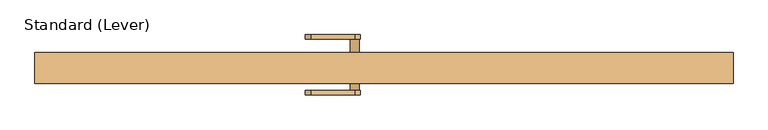
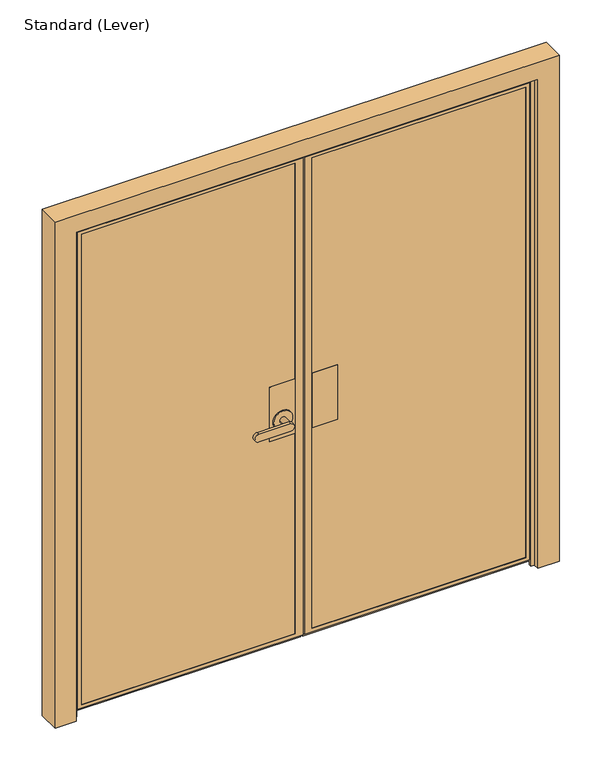
"""IFC4 building model written with IfcOpenShell, lengths in millimetres: door geometry, Standard (Lever)."""

from ifc_helpers import new_model, si_unit, frame, origin, place, context, project, spatial, polyline, circle_curve, outline, extrude, faceted_brep, source, transform, mapped, element, save
from ifc_brep_helpers import plane_surface, cylinder_surface, advanced_brep


def standard_lever_0bb61b1a(model_context):
    return source(origin(), model_context, "Body", "SolidModel", [
        extrude(outline(polyline([(-282.575, -8.418061), (-282.575, 28.094439), (-180.975, 28.094439), (-180.975, -8.418061), (-282.575, -8.418061)])), frame((0.0, 0.0, 889.0), z_axis=(0.0, 0.0, 1.0), x_axis=(1.0, 0.0, 0.0)), (0.0, 0.0, 1.0), 228.6),
        extrude(outline(polyline([(-282.575, 37.619439), (-282.575, 39.206939), (-180.975, 39.206939), (-180.975, 37.619439), (-282.575, 37.619439)])), frame((0.0, 0.0, 889.0), z_axis=(0.0, 0.0, 1.0), x_axis=(1.0, 0.0, 0.0)), (0.0, 0.0, 1.0), 228.6),
        extrude(outline(polyline([(-282.575, -19.530561), (-282.575, -17.943061), (-180.975, -17.943061), (-180.975, -19.530561), (-282.575, -19.530561)])), frame((0.0, 0.0, 889.0), z_axis=(0.0, 0.0, 1.0), x_axis=(1.0, 0.0, 0.0)), (0.0, 0.0, 1.0), 228.6),
        faceted_brep([(-349.25, -8.418061, 1117.6), (-349.25, 28.094439, 1117.6), (-450.85, 28.094439, 1117.6), (-450.85, -8.418061, 1117.6), (-349.25, -8.418061, 889.0), (-450.85, -8.418061, 889.0), (-450.85, 28.094439, 889.0), (-349.25, 28.094439, 889.0)], [[[0, 1, 2, 3]], [[4, 5, 6, 7]], [[1, 0, 4, 7]], [[2, 1, 7, 6]], [[3, 2, 6, 5]], [[0, 3, 5, 4]]]),
        advanced_brep(
        [(-349.25, 37.619439, 1117.6), (-349.25, 39.206939, 1117.6), (-450.85, 39.206939, 1117.6), (-450.85, 37.619439, 1117.6), (-349.25, 37.619439, 889.0), (-450.85, 37.619439, 889.0), (-450.85, 39.206939, 889.0), (-349.25, 39.206939, 889.0), (-438.15, 39.206939, 965.2), (-361.95, 39.206939, 965.2), (-361.95, 43.969439, 965.2), (-438.15, 43.969439, 965.2), (-412.75, 43.969439, 965.2), (-387.35, 43.969439, 965.2), (-387.35, 83.656939, 965.2), (-412.75, 83.656939, 965.2), (-527.05, 96.356939, 949.325), (-527.05, 96.356939, 981.075), (-400.05, 96.356939, 981.075), (-400.05, 96.356939, 949.325), (-527.05, 83.656939, 949.325), (-400.05, 83.656939, 949.325), (-400.05, 83.656939, 981.075), (-527.05, 83.656939, 981.075)],
        [
            (0, 1),
            (1, 2),
            (2, 3),
            (3, 0),
            (4, 5),
            (5, 6),
            (6, 7),
            (7, 4),
            (0, 4),
            (7, 1),
            (6, 2),
            (8, 9, circle_curve(frame((-400.05, 39.206939, 965.2), z_axis=(0.0, -1.0, 0.0), x_axis=(-1.0, 0.0, 0.0)), 38.1)),
            (9, 8, circle_curve(frame((-400.05, 39.206939, 965.2), z_axis=(0.0, -1.0, 0.0), x_axis=(-1.0, 0.0, 0.0)), 38.1)),
            (5, 3),
            (10, 11, circle_curve(frame((-400.05, 43.969439, 965.2), z_axis=(0.0, 1.0, 0.0), x_axis=(-1.0, 0.0, 0.0)), 38.1)),
            (11, 10, circle_curve(frame((-400.05, 43.969439, 965.2), z_axis=(0.0, 1.0, 0.0), x_axis=(-1.0, 0.0, 0.0)), 38.1)),
            (12, 13, circle_curve(frame((-400.05, 43.969439, 965.2), z_axis=(0.0, -1.0, 0.0), x_axis=(-1.0, 0.0, 0.0)), 12.7)),
            (13, 12, circle_curve(frame((-400.05, 43.969439, 965.2), z_axis=(0.0, -1.0, 0.0), x_axis=(-1.0, 0.0, 0.0)), 12.7)),
            (10, 9),
            (8, 11),
            (14, 13),
            (12, 15),
            (15, 14, circle_curve(frame((-400.05, 83.656939, 965.2), z_axis=(0.0, -1.0, 0.0), x_axis=(-1.0, 0.0, 0.0)), 12.7)),
            (14, 15, circle_curve(frame((-400.05, 83.656939, 965.2), z_axis=(0.0, -1.0, 0.0), x_axis=(-1.0, 0.0, 0.0)), 12.7)),
            (16, 17, circle_curve(frame((-527.05, 96.356939, 965.2), z_axis=(0.0, 1.0, 0.0), x_axis=(-1.0, 0.0, 0.0)), 15.875)),
            (17, 18),
            (18, 19, circle_curve(frame((-400.05, 96.356939, 965.2), z_axis=(0.0, 1.0, 0.0), x_axis=(-1.0, 0.0, 0.0)), 15.875)),
            (19, 16),
            (20, 21),
            (21, 22, circle_curve(frame((-400.05, 83.656939, 965.2), z_axis=(0.0, -1.0, 0.0), x_axis=(-1.0, 0.0, 0.0)), 15.875)),
            (22, 23),
            (23, 20, circle_curve(frame((-527.05, 83.656939, 965.2), z_axis=(0.0, -1.0, 0.0), x_axis=(-1.0, 0.0, 0.0)), 15.875)),
            (16, 20),
            (23, 17),
            (22, 18),
            (21, 19),
        ],
        [
            plane_surface(frame((-349.25, -19.530561, 1117.6), z_axis=(0.0, 0.0, 1.0), x_axis=(0.0, 1.0, 0.0))),
            plane_surface(frame((-349.25, -19.530561, 889.0), z_axis=(0.0, 0.0, -1.0), x_axis=(0.0, -1.0, 0.0))),
            plane_surface(frame((-349.25, 37.619439, 1117.6), z_axis=(1.0, 0.0, 0.0), x_axis=(0.0, 0.0, -1.0))),
            plane_surface(frame((-349.25, 39.206939, 1117.6), z_axis=(0.0, 1.0, 0.0), x_axis=(0.0, 0.0, -1.0))),
            plane_surface(frame((-450.85, 39.206939, 1117.6), z_axis=(-1.0, 0.0, 0.0), x_axis=(0.0, 0.0, -1.0))),
            plane_surface(frame((-450.85, 37.619439, 1117.6), z_axis=(0.0, -1.0, 0.0), x_axis=(0.0, 0.0, -1.0))),
            plane_surface(frame((-438.15, 43.969439, 965.2), z_axis=(0.0, 1.0, 0.0), x_axis=(0.0, 0.0, 1.0))),
            cylinder_surface(frame((-400.05, 39.206939, 965.2), z_axis=(0.0, 1.0, 0.0), x_axis=(-1.0, 0.0, 0.0)), 38.1),
            cylinder_surface(frame((-400.05, 39.206939, 965.2), z_axis=(0.0, 1.0, 0.0), x_axis=(-1.0, 0.0, 0.0)), 12.7),
            plane_surface(frame((-542.925, 96.356939, 965.2), z_axis=(0.0, 1.0, 0.0), x_axis=(0.0, 0.0, 1.0))),
            plane_surface(frame((-542.925, 83.656939, 965.2), z_axis=(0.0, -1.0, 0.0), x_axis=(0.0, 0.0, -1.0))),
            cylinder_surface(frame((-527.05, 83.656939, 965.2), z_axis=(0.0, 1.0, 0.0), x_axis=(-1.0, 0.0, 0.0)), 15.875),
            plane_surface(frame((-527.05, 96.356939, 981.075), z_axis=(0.0, 0.0, 1.0), x_axis=(0.0, -1.0, 0.0))),
            cylinder_surface(frame((-400.05, 83.656939, 965.2), z_axis=(0.0, 1.0, 0.0), x_axis=(-1.0, 0.0, 0.0)), 15.875),
            plane_surface(frame((-400.05, 96.356939, 949.325), z_axis=(0.0, 0.0, -1.0), x_axis=(0.0, -1.0, 0.0))),
        ],
        [
            (0, [[1, 2, 3, 4]]),
            (1, [[5, 6, 7, 8]]),
            (2, [[-1, 9, -8, 10]]),
            (3, [[-2, -10, -7, 11], [12, 13]]),
            (4, [[-3, -11, -6, 14]]),
            (5, [[-4, -14, -5, -9]]),
            (6, [[15, 16], [17, 18]]),
            (7, [[-15, 19, -12, 20]]),
            (7, [[-16, -20, -13, -19]]),
            (8, [[21, -17, 22, 23]]),
            (8, [[-21, 24, -22, -18]]),
            (9, [[25, 26, 27, 28]]),
            (10, [[29, 30, 31, 32], [-23, -24]]),
            (11, [[-25, 33, -32, 34]]),
            (12, [[-26, -34, -31, 35]]),
            (13, [[-27, -35, -30, 36]]),
            (14, [[-28, -36, -29, -33]]),
        ],
    ),
        advanced_brep(
        [(-349.25, -19.530561, 1117.6), (-349.25, -17.943061, 1117.6), (-450.787822, -17.943061, 1117.6), (-450.787822, -19.530561, 1117.6), (-349.25, -19.530561, 889.0), (-450.787822, -19.530561, 889.0), (-450.787822, -17.943061, 889.0), (-349.25, -17.943061, 889.0), (-387.35, -24.293061, 965.2), (-387.35, -63.980561, 965.2), (-412.75, -63.980561, 965.2), (-412.75, -24.293061, 965.2), (-361.95, -24.293061, 965.2), (-438.15, -24.293061, 965.2), (-438.15, -19.530561, 965.2), (-361.95, -19.530561, 965.2), (-400.05, -63.980561, 949.325), (-527.05, -63.980561, 949.325), (-527.05, -63.980561, 981.075), (-400.05, -63.980561, 981.075), (-400.05, -76.680561, 949.325), (-400.05, -76.680561, 981.075), (-527.05, -76.680561, 981.075), (-527.05, -76.680561, 949.325)],
        [
            (0, 1),
            (1, 2),
            (2, 3),
            (3, 0),
            (4, 5),
            (5, 6),
            (6, 7),
            (7, 4),
            (8, 9),
            (9, 10, circle_curve(frame((-400.05, -63.980561, 965.2), z_axis=(0.0, 1.0, 0.0), x_axis=(-1.0, 0.0, 0.0)), 12.7)),
            (10, 11),
            (11, 8, circle_curve(frame((-400.05, -24.293061, 965.2), z_axis=(0.0, -1.0, 0.0), x_axis=(-1.0, 0.0, 0.0)), 12.7)),
            (8, 11, circle_curve(frame((-400.05, -24.293061, 965.2), z_axis=(0.0, -1.0, 0.0), x_axis=(-1.0, 0.0, 0.0)), 12.7)),
            (10, 9, circle_curve(frame((-400.05, -63.980561, 965.2), z_axis=(0.0, 1.0, 0.0), x_axis=(-1.0, 0.0, 0.0)), 12.7)),
            (12, 13, circle_curve(frame((-400.05, -24.293061, 965.2), z_axis=(0.0, -1.0, 0.0), x_axis=(-1.0, 0.0, 0.0)), 38.1)),
            (13, 12, circle_curve(frame((-400.05, -24.293061, 965.2), z_axis=(0.0, -1.0, 0.0), x_axis=(-1.0, 0.0, 0.0)), 38.1)),
            (13, 14),
            (14, 15, circle_curve(frame((-400.05, -19.530561, 965.2), z_axis=(0.0, -1.0, 0.0), x_axis=(-1.0, 0.0, 0.0)), 38.1)),
            (15, 12),
            (15, 14, circle_curve(frame((-400.05, -19.530561, 965.2), z_axis=(0.0, -1.0, 0.0), x_axis=(-1.0, 0.0, 0.0)), 38.1)),
            (16, 17),
            (17, 18, circle_curve(frame((-527.05, -63.980561, 965.2), z_axis=(0.0, 1.0, 0.0), x_axis=(-1.0, 0.0, 0.0)), 15.875)),
            (18, 19),
            (19, 16, circle_curve(frame((-400.05, -63.980561, 965.2), z_axis=(0.0, 1.0, 0.0), x_axis=(-1.0, 0.0, 0.0)), 15.875)),
            (20, 21, circle_curve(frame((-400.05, -76.680561, 965.2), z_axis=(0.0, -1.0, 0.0), x_axis=(-1.0, 0.0, 0.0)), 15.875)),
            (21, 22),
            (22, 23, circle_curve(frame((-527.05, -76.680561, 965.2), z_axis=(0.0, -1.0, 0.0), x_axis=(-1.0, 0.0, 0.0)), 15.875)),
            (23, 20),
            (16, 20),
            (23, 17),
            (22, 18),
            (21, 19),
            (0, 4),
            (7, 1),
            (6, 2),
            (5, 3),
        ],
        [
            plane_surface(frame((-349.25, -19.530561, 1117.6), z_axis=(0.0, 0.0, 1.0), x_axis=(0.0, 1.0, 0.0))),
            plane_surface(frame((-349.25, -19.530561, 889.0), z_axis=(0.0, 0.0, -1.0), x_axis=(0.0, -1.0, 0.0))),
            cylinder_surface(frame((-400.05, -63.980561, 965.2), z_axis=(0.0, 1.0, 0.0), x_axis=(-1.0, 0.0, 0.0)), 12.7),
            plane_surface(frame((-438.15, -24.293061, 965.2), z_axis=(0.0, -1.0, 0.0), x_axis=(0.0, 0.0, -1.0))),
            cylinder_surface(frame((-400.05, -24.293061, 965.2), z_axis=(0.0, 1.0, 0.0), x_axis=(-1.0, 0.0, 0.0)), 38.1),
            plane_surface(frame((-400.05, -63.980561, 949.325), z_axis=(0.0, 1.0, 0.0), x_axis=(-1.0, 0.0, 0.0))),
            plane_surface(frame((-400.05, -76.680561, 949.325), z_axis=(0.0, -1.0, 0.0), x_axis=(1.0, 0.0, 0.0))),
            plane_surface(frame((-400.05, -63.980561, 949.325), z_axis=(0.0, 0.0, -1.0), x_axis=(0.0, -1.0, 0.0))),
            cylinder_surface(frame((-527.05, -76.680561, 965.2), z_axis=(0.0, 1.0, 0.0), x_axis=(-1.0, 0.0, 0.0)), 15.875),
            plane_surface(frame((-527.05, -63.980561, 981.075), z_axis=(0.0, 0.0, 1.0), x_axis=(0.0, -1.0, 0.0))),
            cylinder_surface(frame((-400.05, -76.680561, 965.2), z_axis=(0.0, 1.0, 0.0), x_axis=(-1.0, 0.0, 0.0)), 15.875),
            plane_surface(frame((-349.25, -19.530561, 1117.6), z_axis=(1.0, 0.0, 0.0), x_axis=(0.0, 0.0, -1.0))),
            plane_surface(frame((-349.25, -17.943061, 1117.6), z_axis=(0.0, 1.0, 0.0), x_axis=(0.0, 0.0, -1.0))),
            plane_surface(frame((-450.787822, -17.943061, 1117.6), z_axis=(-1.0, 0.0, 0.0), x_axis=(0.0, 0.0, -1.0))),
            plane_surface(frame((-450.787822, -19.530561, 1117.6), z_axis=(0.0, -1.0, 0.0), x_axis=(0.0, 0.0, -1.0))),
        ],
        [
            (0, [[1, 2, 3, 4]]),
            (1, [[5, 6, 7, 8]]),
            (2, [[9, 10, 11, 12]]),
            (2, [[-9, 13, -11, 14]]),
            (3, [[15, 16], [-12, -13]]),
            (4, [[-16, 17, 18, 19]]),
            (4, [[-15, -19, 20, -17]]),
            (5, [[21, 22, 23, 24], [-10, -14]]),
            (6, [[25, 26, 27, 28]]),
            (7, [[-21, 29, -28, 30]]),
            (8, [[-22, -30, -27, 31]]),
            (9, [[-23, -31, -26, 32]]),
            (10, [[-24, -32, -25, -29]]),
            (11, [[-1, 33, -8, 34]]),
            (12, [[-2, -34, -7, 35]]),
            (13, [[-3, -35, -6, 36]]),
            (14, [[-4, -36, -5, -33], [-18, -20]]),
        ],
    ),
        faceted_brep([(-1201.7375, 28.094439, 2025.65), (-1201.7375, -8.418061, 2025.65), (-1201.7375, -8.418061, 42.8625), (-1201.7375, 28.094439, 42.8625), (-1214.4375, -8.418061, 30.1625), (-336.55, -8.418061, 30.1625), (-336.55, -8.418061, 2038.35), (-1214.4375, -8.418061, 2038.35), (-349.25, -8.418061, 2025.65), (-349.25, -8.418061, 42.8625), (-349.25, 28.094439, 42.8625), (-1214.4375, 28.094439, 30.1625), (-1214.4375, 28.094439, 2038.35), (-336.55, 28.094439, 2038.35), (-336.55, 28.094439, 30.1625), (-349.25, 28.094439, 2025.65), (-1214.4375, 37.619439, 2038.35), (-1214.4375, 37.619439, 30.1625), (-336.55, 37.619439, 30.1625), (-336.55, 37.619439, 2038.35), (-1201.7375, 37.619439, 42.8625), (-1201.7375, 37.619439, 2025.65), (-349.25, 37.619439, 2025.65), (-349.25, 37.619439, 42.8625), (-1201.7375, 39.206939, 2025.65), (-1201.7375, 39.206939, 42.8625), (-349.25, 39.206939, 42.8625), (-1231.9, 39.206939, 12.7), (-1231.9, 39.206939, 2055.8125), (-319.0875, 39.206939, 2055.8125), (-319.0875, 39.206939, 12.7), (-349.25, 39.206939, 2025.65), (-1231.9, -5.243061, 2055.8125), (-1231.9, -5.243061, 12.7), (-319.0875, -5.243061, 12.7), (-319.0875, -5.243061, 28.575), (-1216.025, -5.243061, 28.575), (-1216.025, -5.243061, 2039.9375), (-319.0875, -5.243061, 2039.9375), (-319.0875, -5.243061, 2055.8125), (-319.0875, -19.530561, 2039.9375), (-319.0875, -19.530561, 28.575), (-1216.025, -19.530561, 2039.9375), (-1216.025, -19.530561, 28.575), (-349.25, -19.530561, 42.8625), (-1201.7375, -19.530561, 42.8625), (-1201.7375, -19.530561, 2025.65), (-349.25, -19.530561, 2025.65), (-349.25, -17.943061, 42.8625), (-1201.7375, -17.943061, 42.8625), (-1201.7375, -17.943061, 2025.65), (-349.25, -17.943061, 2025.65), (-336.55, -17.943061, 30.1625), (-1214.4375, -17.943061, 30.1625), (-1214.4375, -17.943061, 2038.35), (-336.55, -17.943061, 2038.35)], [[[0, 1, 2, 3]], [[4, 5, 6, 7], [2, 1, 8, 9]], [[3, 2, 9, 10]], [[11, 12, 13, 14], [0, 3, 10, 15]], [[16, 12, 11, 17]], [[17, 11, 14, 18]], [[16, 17, 18, 19], [20, 21, 22, 23]], [[24, 21, 20, 25]], [[25, 20, 23, 26]], [[27, 28, 29, 30], [24, 25, 26, 31]], [[32, 28, 27, 33]], [[33, 27, 30, 34]], [[32, 33, 34, 35, 36, 37, 38, 39]], [[8, 15, 10, 9]], [[13, 19, 18, 14]], [[22, 31, 26, 23]], [[29, 39, 38, 40, 41, 35, 34, 30]], [[42, 43, 41, 40], [44, 45, 46, 47]], [[43, 36, 35, 41]], [[45, 44, 48, 49]], [[46, 45, 49, 50]], [[44, 47, 51, 48]], [[43, 42, 37, 36]], [[52, 53, 54, 55], [49, 48, 51, 50]], [[53, 4, 7, 54]], [[4, 53, 52, 5]], [[5, 52, 55, 6]], [[1, 0, 15, 8]], [[12, 16, 19, 13]], [[21, 24, 31, 22]], [[28, 32, 39, 29]], [[47, 46, 50, 51]], [[6, 55, 54, 7]], [[37, 42, 40, 38]]]),
        faceted_brep([(584.2, -19.530561, 28.575), (-312.7375, -19.530561, 28.575), (-312.7375, -5.243061, 28.575), (584.2, -5.243061, 28.575), (600.075, 39.206939, 2055.8125), (600.075, 39.206939, 12.7), (-312.7375, 39.206939, 12.7), (-312.7375, 39.206939, 2055.8125), (569.9125, 39.206939, 42.8625), (569.9125, 39.206939, 2025.65), (-282.575, 39.206939, 2025.65), (-282.575, 39.206939, 42.8625), (-312.7375, -19.530561, 2039.9375), (-312.7375, -5.243061, 2039.9375), (-312.7375, -5.243061, 2055.8125), (-312.7375, -5.243061, 12.7), (600.075, -5.243061, 12.7), (600.075, -5.243061, 2055.8125), (584.2, -5.243061, 2039.9375), (584.2, -19.530561, 2039.9375), (569.9125, -19.530561, 42.8625), (-282.575, -19.530561, 42.8625), (-282.575, -19.530561, 2025.65), (569.9125, -19.530561, 2025.65), (569.9125, -17.943061, 42.8625), (-282.575, -17.943061, 42.8625), (-282.575, -17.943061, 2025.65), (569.9125, -17.943061, 2025.65), (569.9125, 37.619439, 2025.65), (569.9125, 37.619439, 42.8625), (-282.575, 37.619439, 42.8625), (582.6125, 37.619439, 30.1625), (582.6125, 37.619439, 2038.35), (-295.275, 37.619439, 2038.35), (-295.275, 37.619439, 30.1625), (-282.575, 37.619439, 2025.65), (582.6125, 28.094439, 2038.35), (582.6125, 28.094439, 30.1625), (-295.275, 28.094439, 30.1625), (-295.275, 28.094439, 2038.35), (569.9125, 28.094439, 42.8625), (569.9125, 28.094439, 2025.65), (-282.575, 28.094439, 2025.65), (-282.575, 28.094439, 42.8625), (569.9125, -8.418061, 2025.65), (569.9125, -8.418061, 42.8625), (-282.575, -8.418061, 42.8625), (582.6125, -8.418061, 30.1625), (582.6125, -8.418061, 2038.35), (-295.275, -8.418061, 2038.35), (-295.275, -8.418061, 30.1625), (-282.575, -8.418061, 2025.65), (582.6125, -17.943061, 2038.35), (582.6125, -17.943061, 30.1625), (-295.275, -17.943061, 30.1625), (-295.275, -17.943061, 2038.35)], [[[0, 1, 2, 3]], [[4, 5, 6, 7], [8, 9, 10, 11]], [[12, 13, 14, 7, 6, 15, 2, 1]], [[5, 16, 15, 6]], [[16, 17, 14, 13, 18, 3, 2, 15]], [[12, 1, 0, 19], [20, 21, 22, 23]], [[19, 0, 3, 18]], [[21, 20, 24, 25]], [[22, 21, 25, 26]], [[20, 23, 27, 24]], [[4, 17, 16, 5]], [[28, 9, 8, 29]], [[29, 8, 11, 30]], [[31, 32, 33, 34], [28, 29, 30, 35]], [[36, 32, 31, 37]], [[37, 31, 34, 38]], [[36, 37, 38, 39], [40, 41, 42, 43]], [[44, 41, 40, 45]], [[45, 40, 43, 46]], [[47, 48, 49, 50], [44, 45, 46, 51]], [[30, 11, 10, 35]], [[38, 34, 33, 39]], [[46, 43, 42, 51]], [[52, 48, 47, 53]], [[53, 47, 50, 54]], [[52, 53, 54, 55], [24, 27, 26, 25]], [[54, 50, 49, 55]], [[17, 4, 7, 14]], [[9, 28, 35, 10]], [[32, 36, 39, 33]], [[41, 44, 51, 42]], [[48, 52, 55, 49]], [[23, 22, 26, 27]], [[13, 12, 19, 18]]]),
        extrude(outline(polyline([(-295.275, 28.094439), (-295.275, 37.619439), (582.6125, 37.619439), (582.6125, 28.094439), (-295.275, 28.094439)])), frame((0.0, 0.0, 30.1625), z_axis=(0.0, 0.0, 1.0), x_axis=(1.0, 0.0, 0.0)), (0.0, 0.0, 1.0), 2008.1875),
        extrude(outline(polyline([(-295.275, -8.418061), (582.6125, -8.418061), (582.6125, -17.943061), (-295.275, -17.943061), (-295.275, -8.418061)])), frame((0.0, 0.0, 30.1625), z_axis=(0.0, 0.0, 1.0), x_axis=(1.0, 0.0, 0.0)), (0.0, 0.0, 1.0), 2008.1875),
        extrude(outline(polyline([(-336.55, 37.619439), (-336.55, 28.094439), (-1214.4375, 28.094439), (-1214.4375, 37.619439), (-336.55, 37.619439)])), frame((0.0, 0.0, 30.1625), z_axis=(0.0, 0.0, 1.0), x_axis=(1.0, 0.0, 0.0)), (0.0, 0.0, 1.0), 2008.1875),
        extrude(outline(polyline([(-1214.4375, -8.418061), (-336.55, -8.418061), (-336.55, -17.943061), (-1214.4375, -17.943061), (-1214.4375, -8.418061)])), frame((0.0, 0.0, 30.1625), z_axis=(0.0, 0.0, 1.0), x_axis=(1.0, 0.0, 0.0)), (0.0, 0.0, 1.0), 2008.1875),
        faceted_brep([(604.8375, -44.45, 0.0), (604.8375, -20.6375, 0.0), (590.55, -20.6375, 0.0), (590.55, -9.525, 0.0), (604.8375, -9.525, 0.0), (604.8375, 44.45, 0.0), (688.975, 44.45, 0.0), (688.975, -44.45, 0.0), (604.8375, -44.45, 2060.575), (604.8375, -20.6375, 2060.575), (-1236.6625, -20.6375, 2060.575), (-1236.6625, -20.6375, 0.0), (-1222.375, -20.6375, 0.0), (-1222.375, -20.6375, 2046.2875), (590.55, -20.6375, 2046.2875), (590.55, -9.525, 2046.2875), (-1222.375, -9.525, 2046.2875), (-1222.375, -9.525, 0.0), (-1236.6625, -9.525, 0.0), (-1236.6625, -9.525, 2060.575), (604.8375, -9.525, 2060.575), (604.8375, 44.45, 2060.575), (-1236.6625, 44.45, 2060.575), (-1236.6625, 44.45, 0.0), (-1320.8, 44.45, 0.0), (-1320.8, 44.45, 2133.6), (688.975, 44.45, 2133.6), (688.975, -44.45, 2133.6), (-1320.8, -44.45, 2133.6), (-1320.8, -44.45, 0.0), (-1236.6625, -44.45, 0.0), (-1236.6625, -44.45, 2060.575)], [[[0, 1, 2, 3, 4, 5, 6, 7]], [[1, 0, 8, 9]], [[2, 1, 9, 10, 11, 12, 13, 14]], [[3, 2, 14, 15]], [[4, 3, 15, 16, 17, 18, 19, 20]], [[5, 4, 20, 21]], [[6, 5, 21, 22, 23, 24, 25, 26]], [[7, 6, 26, 27]], [[0, 7, 27, 28, 29, 30, 31, 8]], [[30, 29, 24, 23, 18, 17, 12, 11]], [[24, 29, 28, 25]], [[19, 18, 23, 22]], [[12, 17, 16, 13]], [[30, 11, 10, 31]], [[28, 27, 26, 25]], [[10, 9, 8, 31]], [[15, 14, 13, 16]], [[21, 20, 19, 22]]]),
    ])


if __name__ == "__main__":
    model = new_model("IFC4")
    model_context = context("Model", 3, world=origin())
    ifc_project = project(units=[si_unit("LENGTHUNIT", "METRE", prefix="MILLI")], contexts=[model_context])
    site = spatial("IfcSite", under=ifc_project)
    building = spatial("IfcBuilding", under=site)
    placement = place(None, origin())
    standard_lever_shape = standard_lever_0bb61b1a(model_context)
    element("IfcDoor", 1, ObjectType="Standard (Lever)", at=placement, inside=building, context=model_context, shape_type="MappedRepresentation", body=[
        mapped(standard_lever_shape, transform((0.0, 0.0, 0.0), x_axis=(1.0, 0.0, 0.0), y_axis=(0.0, 1.0, 0.0), z_axis=(0.0, 0.0, 1.0))),
    ])
    save(model, "model.ifc")
